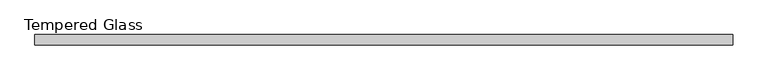
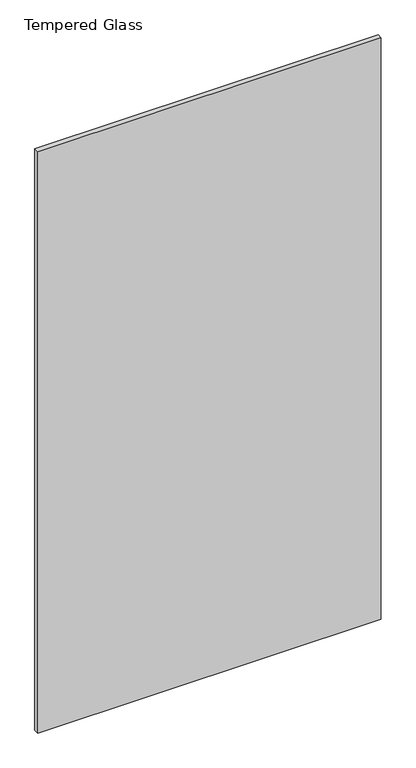
"""IFC4 building model written with IfcOpenShell, lengths in millimetres: plate geometry, Tempered Glass."""

from ifc_helpers import new_model, si_unit, origin, origin_with_axes, place, context, project, spatial, polyline, outline, extrude, source, transform, mapped, element, save


def tempered_glass_e4ea2d3c(model_context):
    return source(origin(), model_context, "Body", "SweptSolid", [
        extrude(outline(polyline([(654.8437501, -9.525), (-654.8437501, -9.525), (-654.8437501, 9.525), (654.8437501, 9.525), (654.8437501, -9.525)])), origin_with_axes(), (0.0, 0.0, 1.0), 2343.15),
    ])


if __name__ == "__main__":
    model = new_model("IFC4")
    model_context = context("Model", 3, world=origin())
    ifc_project = project(units=[si_unit("LENGTHUNIT", "METRE", prefix="MILLI")], contexts=[model_context])
    site = spatial("IfcSite", under=ifc_project)
    building = spatial("IfcBuilding", under=site)
    placement = place(None, origin())
    tempered_glass_shape = tempered_glass_e4ea2d3c(model_context)
    element("IfcPlate", 1, ObjectType="Tempered Glass", at=placement, inside=building, context=model_context, shape_type="MappedRepresentation", body=[
        mapped(tempered_glass_shape, transform((0.0, 0.0, 0.0), x_axis=(1.0, 0.0, 0.0), y_axis=(0.0, 1.0, 0.0), z_axis=(0.0, 0.0, 1.0))),
    ])
    save(model, "model.ifc")
